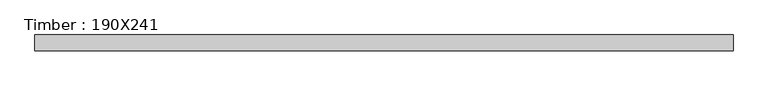
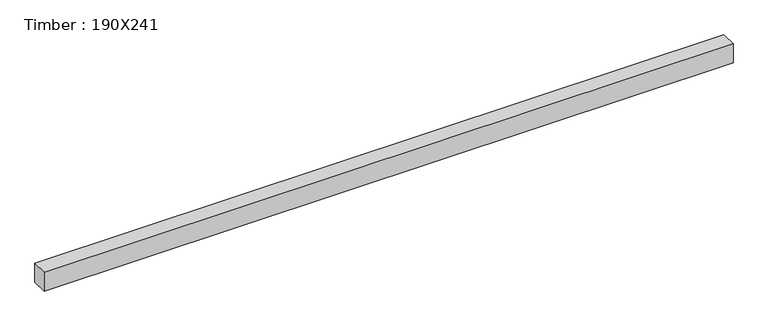
"""IFC4 building model written with IfcOpenShell, lengths in millimetres: beam geometry, Timber : 190X241."""

from ifc_helpers import new_model, si_unit, frame, origin, place, context, project, spatial, polyline, outline, extrude, source, transform, mapped, element, save


def timber_190x241_2e36b55d(model_context):
    return source(origin(), model_context, "Body", "SweptSolid", [
        extrude(outline(polyline([(4150.0, -95.0), (-4150.0, -95.0), (-4150.0, 95.0), (4150.0, 95.0), (4150.0, -95.0)])), frame((0.0, 0.0, -120.5), z_axis=(0.0, 0.0, 1.0), x_axis=(1.0, 0.0, 0.0)), (0.0, 0.0, 1.0), 241.0),
    ])


if __name__ == "__main__":
    model = new_model("IFC4")
    model_context = context("Model", 3, world=origin())
    ifc_project = project(units=[si_unit("LENGTHUNIT", "METRE", prefix="MILLI")], contexts=[model_context])
    site = spatial("IfcSite", under=ifc_project)
    building = spatial("IfcBuilding", under=site)
    placement = place(None, origin())
    timber_190x241_shape = timber_190x241_2e36b55d(model_context)
    element("IfcBeam", 1, ObjectType="Timber : 190X241", at=placement, inside=building, context=model_context, shape_type="MappedRepresentation", body=[
        mapped(timber_190x241_shape, transform((0.0, 0.0, 0.0), x_axis=(1.0, 0.0, 0.0), y_axis=(0.0, 1.0, 0.0), z_axis=(0.0, 0.0, 1.0))),
    ])
    save(model, "model.ifc")
